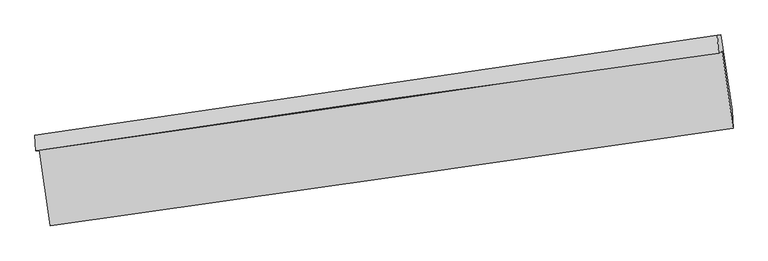
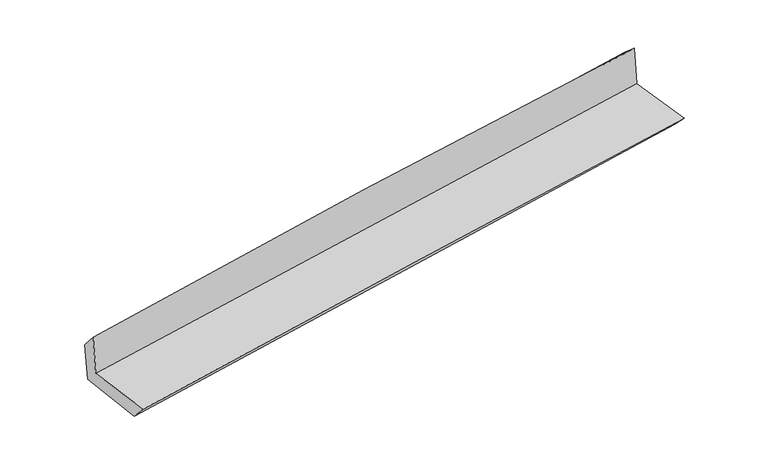
"""IFC4 building model written with IfcOpenShell, lengths in millimetres: proxy geometry."""

from ifc_helpers import new_model, si_unit, frame, origin, place, context, project, spatial, source, transform, mapped, element, save
from ifc_brep_helpers import plane_surface, spline_curve, spline_surface, advanced_brep


def generic_models_ccd34151(model_context):
    return source(origin(), model_context, "Body", "AdvancedBrep", [
        advanced_brep(
        [(-2993.5979446, -1923.1826246, 1656.2907767), (-2897.7088882, -2586.9553122, 1645.4950609), (3040.7392184, -1738.8917138, 2151.4839198), (2945.3345718, -1067.8299294, 2144.3472351), (-3026.6811694, -1933.6140273, 2062.2523158), (2913.977618, -1086.707829, 2544.2293431), (-3031.9606603, -1798.7686734, 1897.7156507), (2903.278674, -931.2094992, 2408.6291799), (-3000.3306343, -1795.2993862, 1520.5120034), (2934.9180013, -927.7391918, 2031.3146107), (-2905.1234965, -2438.7028067, 1483.5048698), (3031.5996204, -1581.1070574, 1993.7343444)],
        [
            (0, 1),
            (1, 2, spline_curve(3, [(-2897.7088882, -2586.9553122, 1645.4950609), (-1908.567518609, -2448.233219369, 1741.343378892), (-919.128974784, -2308.200615675, 1831.433069243), (1060.353720335, -2025.512779532, 2000.096152951), (2050.397878868, -1882.857516886, 2078.669415796), (3040.7392184, -1738.8917138, 2151.4839198)], [4, 2, 4], [0.0, 9.875418184815583, 19.750948717545104])),
            (2, 3),
            (3, 0, spline_curve(3, [(2945.3345718, -1067.8299294, 2144.3472351), (1955.951670612, -1216.754482925, 2068.609602698), (966.346360285, -1362.496538536, 1990.069167763), (-1013.297816616, -1647.614031051, 1827.38361783), (-2003.336678886, -1786.989540779, 1743.238566598), (-2993.5979446, -1923.1826246, 1656.2907767)], [4, 2, 4], [0.0, 9.87553053272952, 19.750948717545104])),
            (4, 0),
            (3, 5),
            (5, 4, spline_curve(3, [(2913.977618, -1086.707829, 2544.2293431), (1921.696884132, -1219.913806536, 2476.110480845), (930.498808677, -1357.092736055, 2401.886034015), (-1049.720762536, -1639.394892546, 2241.226886051), (-2038.742282733, -1784.518029266, 2154.792323675), (-3026.6811694, -1933.6140273, 2062.2523158)], [4, 2, 4], [0.0, 9.875542062773455, 19.750971777501803])),
            (6, 4),
            (5, 7),
            (7, 6, spline_curve(3, [(2903.278674, -931.2094992, 2408.6291799), (1913.66967983, -1074.96661364, 2326.86546425), (924.259092697, -1219.142182502, 2243.407226958), (-1054.154014231, -1508.328583339, 2073.102678773), (-2043.156538419, -1653.33940607, 1986.256406166), (-3031.9606603, -1798.7686734, 1897.7156507)], [4, 2, 4], [0.0, 9.875503808812995, 19.750895270016073])),
            (8, 6),
            (7, 9),
            (9, 8, spline_curve(3, [(2934.9180013, -927.7391918, 2031.3146107), (1945.304699232, -1071.496778898, 1949.602269551), (955.89118298, -1215.672668885, 1866.178963363), (-1022.525024496, -1504.859409755, 1695.911388358), (-2011.527720067, -1649.870251163, 1609.067159155), (-3000.3306343, -1795.2993862, 1520.5120034)], [4, 2, 4], [0.0, 9.875447973194387, 19.750783599414063])),
            (10, 8),
            (9, 11),
            (11, 10, spline_curve(3, [(3031.5996204, -1581.1070574, 1993.7343444), (2042.719882408, -1729.8220215, 1911.736865826), (1053.550271183, -1875.646205979, 1828.218753288), (-925.357440903, -2161.511389755, 1658.142227147), (-1915.095535585, -2301.552455085, 1571.583848205), (-2905.1234965, -2438.7028067, 1483.5048698)], [4, 2, 4], [0.0, 9.875434850023558, 19.7507573532217])),
            (1, 10),
            (11, 2),
        ],
        [
            spline_surface(3, 3, [[(-2993.5979446, -1923.1826246, 1656.2907767), (-2003.336678798, -1786.989540773, 1743.238566698), (-1013.297816763, -1647.614031134, 1827.383617836), (966.346360431, -1362.496538453, 1990.069167757), (1955.951670528, -1216.754483074, 2068.60960272), (2945.3345718, -1067.8299294, 2144.3472351)], [(-2961.634925806, -2144.440187113, 1652.692204765), (-1971.746958741, -2007.404100256, 1742.606837439), (-981.90820281, -1867.809559314, 1828.73343492), (997.682147135, -1583.501952088, 1993.411496195), (1987.433740028, -1438.788827663, 2071.962873751), (2977.13612067, -1291.517190868, 2146.726129972)], [(-2929.671906994, -2365.697749687, 1649.093632835), (-1940.157238667, -2227.818659802, 1741.975108185), (-950.518588901, -2088.005087582, 1830.083252022), (1029.017933795, -1804.50736581, 1996.753824651), (2018.91580952, -1660.823172249, 2075.316144866), (3008.93766953, -1515.204452332, 2149.105024928)], [(-2897.7088882, -2586.9553122, 1645.4950609), (-1908.56751861, -2448.233219285, 1741.343378926), (-919.128974948, -2308.200615762, 1831.433069106), (1060.353720499, -2025.512779445, 2000.096153089), (2050.39787902, -1882.857516839, 2078.669415897), (3040.7392184, -1738.8917138, 2151.4839198)]], [4, 4], [4, 2, 4], [0.0, 2.1932193497877135], [0.0, 9.875418184815583, 19.750948717545104]),
            spline_surface(3, 3, [[(-3026.6811694, -1933.6140273, 2062.2523158), (-2038.742282679, -1784.518029226, 2154.792323602), (-1049.720762515, -1639.394892549, 2241.22688603), (930.498808657, -1357.092736051, 2401.886034036), (1921.696884282, -1219.913806633, 2476.110480731), (2913.977618, -1086.707829, 2544.2293431)], [(-3015.653427796, -1930.136893067, 1926.931802759), (-2026.940414715, -1785.341866409, 2017.60773796), (-1037.579780596, -1642.134605426, 2103.279129952), (942.447992583, -1358.894003534, 2264.613745264), (1933.115146363, -1218.860698759, 2340.276854747), (2924.429935932, -1080.415195779, 2410.93530712)], [(-3004.625686204, -1926.659758833, 1791.611289741), (-2015.138546763, -1786.16570359, 1880.423152341), (-1025.438798682, -1644.874318257, 1965.331373913), (954.397176505, -1360.69527097, 2127.341456529), (1944.533408447, -1217.807590948, 2204.443228704), (2934.882253868, -1074.122562621, 2277.64127108)], [(-2993.5979446, -1923.1826246, 1656.2907767), (-2003.336678798, -1786.989540773, 1743.238566698), (-1013.297816763, -1647.614031134, 1827.383617836), (966.346360431, -1362.496538453, 1990.069167757), (1955.951670528, -1216.754483074, 2068.60960272), (2945.3345718, -1067.8299294, 2144.3472351)]], [4, 4], [4, 2, 4], [0.0, 1.3597916074883416], [0.0, 9.875429714728348, 19.750971777501803]),
            spline_surface(3, 3, [[(-3031.9606603, -1798.7686734, 1897.7156507), (-2043.156538461, -1653.339406029, 1986.256406125), (-1054.154014238, -1508.328583382, 2073.102678718), (924.259092705, -1219.14218246, 2243.407227013), (1913.669679867, -1074.966613709, 2326.86546414), (2903.278674, -931.2094992, 2408.6291799)], [(-3030.200829989, -1843.717124712, 1952.561205742), (-2041.685119857, -1697.065613773, 2042.435045293), (-1052.676263657, -1552.017353114, 2129.144081163), (926.338998029, -1265.125700334, 2296.233496029), (1916.345414664, -1123.282344695, 2376.613802995), (2906.844988659, -983.04227581, 2453.829234291)], [(-3028.440999711, -1888.665575988, 2007.406760758), (-2040.213701284, -1740.791821482, 2098.613684434), (-1051.198513097, -1595.706122817, 2185.185483584), (928.418903333, -1311.109218178, 2349.059765021), (1919.021149484, -1171.598075648, 2426.362141877), (2910.411303341, -1034.87505239, 2499.029288709)], [(-3026.6811694, -1933.6140273, 2062.2523158), (-2038.742282679, -1784.518029226, 2154.792323602), (-1049.720762515, -1639.394892549, 2241.22688603), (930.498808657, -1357.092736051, 2401.886034036), (1921.696884282, -1219.913806633, 2476.110480731), (2913.977618, -1086.707829, 2544.2293431)]], [4, 4], [4, 2, 4], [0.0, 0.6943327839258685], [0.0, 9.875391461203078, 19.750895270016073]),
            spline_surface(3, 3, [[(-3000.3306343, -1795.2993862, 1520.5120034), (-2011.527719983, -1649.870251274, 1609.067159113), (-1022.525024421, -1504.859409811, 1695.91138851), (955.891182905, -1215.672668829, 1866.178963211), (1945.3046992, -1071.496778822, 1949.602269569), (2934.9180013, -927.7391918, 2031.3146107)], [(-3010.873976309, -1796.455815278, 1646.246552492), (-2022.070659485, -1651.026636204, 1734.796908109), (-1033.068021034, -1506.015801005, 1821.641818573), (945.347152832, -1216.829173376, 1991.921717805), (1934.759692765, -1072.653390459, 2075.356667751), (2924.371558876, -928.895960942, 2157.086133759)], [(-3021.417318291, -1797.612244322, 1771.981101608), (-2032.613598959, -1652.1830211, 1860.526657129), (-1043.611017626, -1507.172192188, 1947.372248655), (934.803122778, -1217.985677913, 2117.664472419), (1924.214686301, -1073.810002072, 2201.111065958), (2913.825116424, -930.052730058, 2282.857656841)], [(-3031.9606603, -1798.7686734, 1897.7156507), (-2043.156538461, -1653.339406029, 1986.256406125), (-1054.154014238, -1508.328583382, 2073.102678718), (924.259092705, -1219.14218246, 2243.407227013), (1913.669679867, -1074.966613709, 2326.86546414), (2903.278674, -931.2094992, 2408.6291799)]], [4, 4], [4, 2, 4], [0.0, 1.241960386212789], [0.0, 9.875335626219677, 19.750783599414063]),
            spline_surface(3, 3, [[(-2905.1234965, -2438.7028067, 1483.5048698), (-1915.095535432, -2301.552455153, 1571.583848307), (-925.357440973, -2161.511389867, 1658.142227151), (1053.550271252, -1875.646205867, 1828.218753283), (2042.719882433, -1729.822021399, 1911.736865972), (3031.5996204, -1581.1070574, 1993.7343444)], [(-2936.859209096, -2224.234999858, 1495.840581019), (-1947.239596945, -2084.325053852, 1584.078285262), (-957.746635453, -1942.627396495, 1670.731947597), (1020.997241806, -1655.655026834, 1840.872156586), (2010.248154702, -1510.380273873, 1924.358667196), (2999.372414046, -1363.317768866, 2006.261099859)], [(-2968.594921704, -2009.767193042, 1508.176292181), (-1979.38365847, -1867.097652576, 1596.572722158), (-990.135829941, -1723.743403183, 1683.321668064), (988.444212351, -1435.663847862, 1853.525559909), (1977.776426932, -1290.938526348, 1936.980468345), (2967.145207654, -1145.528480334, 2018.787855241)], [(-3000.3306343, -1795.2993862, 1520.5120034), (-2011.527719983, -1649.870251274, 1609.067159113), (-1022.525024421, -1504.859409811, 1695.91138851), (955.891182905, -1215.672668829, 1866.178963211), (1945.3046992, -1071.496778822, 1949.602269569), (2934.9180013, -927.7391918, 2031.3146107)]], [4, 4], [4, 2, 4], [0.0, 2.1868682051828747], [0.0, 9.875322503198143, 19.7507573532217]),
            spline_surface(3, 3, [[(-2897.7088882, -2586.9553122, 1645.4950609), (-1908.56751861, -2448.233219285, 1741.343378926), (-919.128974948, -2308.200615762, 1831.433069106), (1060.353720499, -2025.512779445, 2000.096153089), (2050.39787902, -1882.857516839, 2078.669415897), (3040.7392184, -1738.8917138, 2151.4839198)], [(-2900.180424304, -2537.537810372, 1591.498330523), (-1910.743524221, -2399.339631247, 1684.756868709), (-921.205130309, -2259.304207151, 1773.669455145), (1058.085904064, -1975.55725494, 1942.803686511), (2047.838546808, -1831.845685027, 2023.025232589), (3037.692685717, -1686.296828335, 2098.900728)], [(-2902.651960396, -2488.120308528, 1537.501600177), (-1912.919529821, -2350.446043191, 1628.170358524), (-923.281285612, -2210.407798478, 1715.905841112), (1055.818087687, -1925.601730372, 1885.511219861), (2045.279214645, -1780.833853211, 1967.38104928), (3034.646153083, -1633.701942865, 2046.3175362)], [(-2905.1234965, -2438.7028067, 1483.5048698), (-1915.095535432, -2301.552455153, 1571.583848307), (-925.357440973, -2161.511389867, 1658.142227151), (1053.550271252, -1875.646205867, 1828.218753283), (2042.719882433, -1729.822021399, 1911.736865972), (3031.5996204, -1581.1070574, 1993.7343444)]], [4, 4], [4, 2, 4], [0.0, 0.7468079120625821], [0.0, 9.875376319636644, 19.750864986710944]),
            plane_surface(frame((2961.641284, -1222.2475367, 2212.2897722), z_axis=(0.9864194909493761, 0.14113242802712564, 0.08401324677895872), x_axis=(-0.08355720426988336, -0.009164834128915611, 0.9964608368771903))),
            plane_surface(frame((-2975.9004656, -2079.4204717, 1710.9617795), z_axis=(-0.9864194909496976, -0.14113242802491582, -0.08401324677889584), x_axis=(-0.14295798659427583, 0.9895978805728709, 0.01609499408489702))),
        ],
        [
            (0, [[1, 2, 3, 4]]),
            (1, [[5, -4, 6, 7]]),
            (2, [[8, -7, 9, 10]]),
            (3, [[11, -10, 12, 13]]),
            (4, [[14, -13, 15, 16]]),
            (5, [[17, -16, 18, -2]]),
            (6, [[-12, -9, -6, -3, -18, -15]]),
            (7, [[-1, -5, -8, -11, -14, -17]]),
        ],
    ),
    ])


if __name__ == "__main__":
    model = new_model("IFC4")
    model_context = context("Model", 3, world=origin())
    ifc_project = project(units=[si_unit("LENGTHUNIT", "METRE", prefix="MILLI")], contexts=[model_context])
    site = spatial("IfcSite", under=ifc_project)
    building = spatial("IfcBuilding", under=site)
    placement = place(None, origin())
    generic_models_shape = generic_models_ccd34151(model_context)
    element("IfcBuildingElementProxy", 1, Name="Generic Models", at=placement, inside=building, context=model_context, shape_type="MappedRepresentation", body=[
        mapped(generic_models_shape, transform((0.0, 0.0, 0.0), x_axis=(1.0, 0.0, 0.0), y_axis=(0.0, 1.0, 0.0), z_axis=(0.0, 0.0, 1.0))),
    ])
    save(model, "model.ifc")
